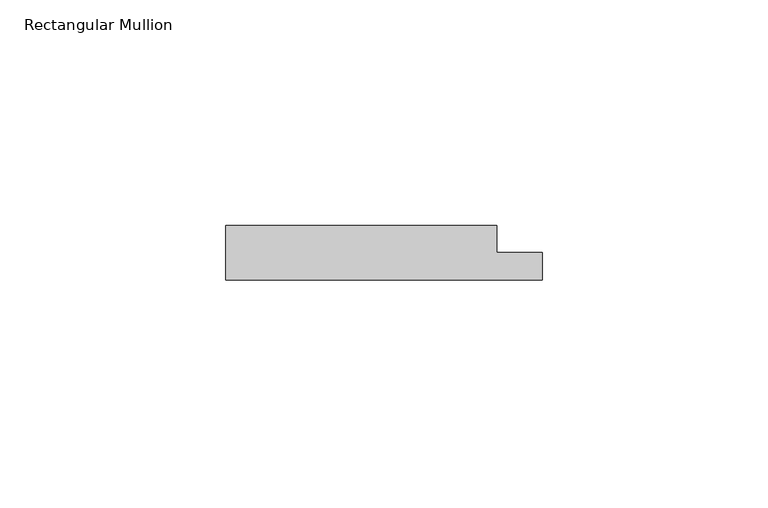
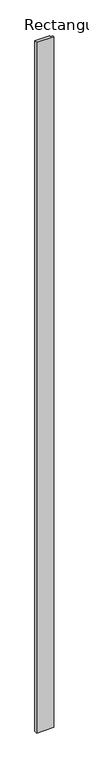
"""IFC4 building model written with IfcOpenShell, lengths in millimetres: member geometry, Rectangular Mullion."""

from ifc_helpers import new_model, si_unit, frame, origin, place, context, project, spatial, polyline, outline, extrude, source, transform, mapped, element, save


def rectangular_mullion_3a61fd1b(model_context):
    return source(origin(), model_context, "Body", "SweptSolid", [
        extrude(outline(polyline([(40.0, 0.0), (-30.0, 0.0), (-30.0, 12.0), (30.0, 12.0), (30.0, 6.0), (40.0, 6.0), (40.0, 0.0)])), frame((0.0, 0.0, -3000.0), z_axis=(0.0, 0.0, 1.0), x_axis=(1.0, 0.0, 0.0)), (0.0, 0.0, 1.0), 3000.0),
    ])


if __name__ == "__main__":
    model = new_model("IFC4")
    model_context = context("Model", 3, world=origin())
    ifc_project = project(units=[si_unit("LENGTHUNIT", "METRE", prefix="MILLI")], contexts=[model_context])
    site = spatial("IfcSite", under=ifc_project)
    building = spatial("IfcBuilding", under=site)
    placement = place(None, origin())
    rectangular_mullion_shape = rectangular_mullion_3a61fd1b(model_context)
    element("IfcMember", 1, ObjectType="Rectangular Mullion", at=placement, inside=building, context=model_context, shape_type="MappedRepresentation", body=[
        mapped(rectangular_mullion_shape, transform((0.0, 0.0, 0.0), x_axis=(1.0, 0.0, 0.0), y_axis=(0.0, 1.0, 0.0), z_axis=(0.0, 0.0, 1.0))),
    ])
    save(model, "model.ifc")
